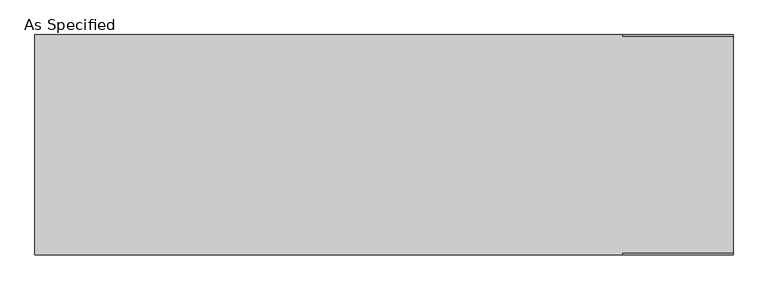
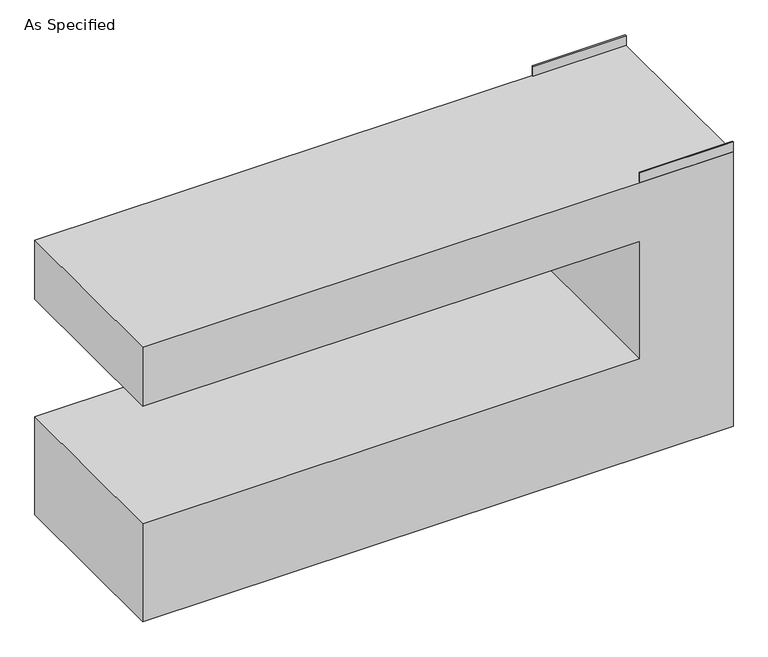
"""IFC4 building model written with IfcOpenShell, lengths in millimetres: proxy geometry, As Specified."""

from ifc_helpers import new_model, si_unit, frame, origin, place, context, project, spatial, polyline, outline, extrude, source, transform, mapped, element, save


def as_specified_eb4337ce(model_context):
    return source(origin(), model_context, "Body", "SweptSolid", [
        extrude(outline(polyline([(990.6, 450.85), (990.6, 457.2), (1447.8, 457.2), (1447.8, 450.85), (990.6, 450.85)])), frame((0.0, 0.0, 1422.4), z_axis=(0.0, 0.0, 1.0), x_axis=(1.0, 0.0, 0.0)), (0.0, 0.0, 1.0), 50.8),
        extrude(outline(polyline([(990.6, -457.2), (990.6, -450.85), (1447.8, -450.85), (1447.8, -457.2), (990.6, -457.2)])), frame((0.0, 0.0, 1422.4), z_axis=(0.0, 0.0, 1.0), x_axis=(1.0, 0.0, 0.0)), (0.0, 0.0, 1.0), 50.8),
        extrude(outline(polyline([(1422.4, 1447.8), (1422.4, -1447.8), (1117.6, -1447.8), (1117.6, 990.6), (508.0, 990.6), (508.0, -1447.8), (0.0, -1447.8), (0.0, 1447.8), (1422.4, 1447.8)])), frame((0.0, -457.2, 0.0), z_axis=(0.0, 1.0, 0.0), x_axis=(0.0, 0.0, 1.0)), (0.0, 0.0, 1.0), 914.4),
    ])


if __name__ == "__main__":
    model = new_model("IFC4")
    model_context = context("Model", 3, world=origin())
    ifc_project = project(units=[si_unit("LENGTHUNIT", "METRE", prefix="MILLI")], contexts=[model_context])
    site = spatial("IfcSite", under=ifc_project)
    building = spatial("IfcBuilding", under=site)
    placement = place(None, origin())
    as_specified_shape = as_specified_eb4337ce(model_context)
    element("IfcBuildingElementProxy", 1, Name="As Specified", ObjectType="As Specified", at=placement, inside=building, context=model_context, shape_type="MappedRepresentation", body=[
        mapped(as_specified_shape, transform((0.0, 0.0, 0.0), x_axis=(1.0, 0.0, 0.0), y_axis=(0.0, 1.0, 0.0), z_axis=(0.0, 0.0, 1.0))),
    ])
    save(model, "model.ifc")
